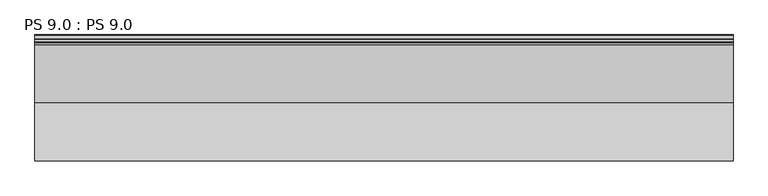
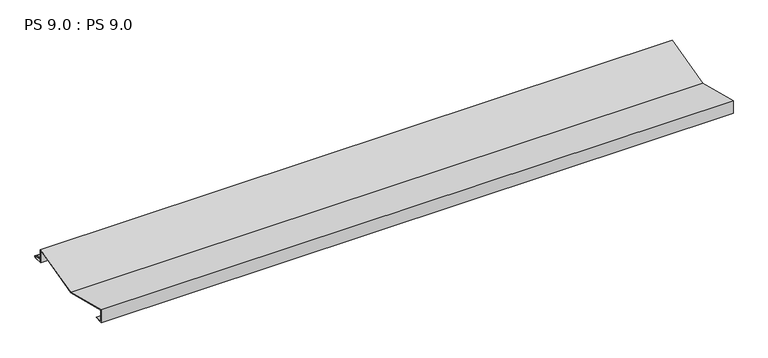
"""IFC4 building model written with IfcOpenShell, lengths in millimetres: proxy geometry, PS 9.0 : PS 9.0."""

from ifc_helpers import new_model, si_unit, point, frame, frame_2d, origin, place, context, project, spatial, polyline, circle_curve, trimmed, segment, composite_curve, outline, extrude, source, transform, mapped, element, save


def ps_9_0_ps_9_0_420706aa(model_context):
    return source(origin(), model_context, "Body", "SweptSolid", [
        extrude(outline(composite_curve([segment(polyline([(0.0, 0.0), (0.0, 38.0), (150.0, 0.0), (299.9966446, 38.0), (299.9966446, 0.0), (325.0510156, 0.0)]), True, "CONTINUOUS"), segment(trimmed(circle_curve(frame_2d((324.3094696, 1.9153551)), 2.0538928), [point((325.0510156, 0.0))], [point((325.1748462, 3.778041))], True, "CARTESIAN"), True, "CONTINUOUS"), segment(polyline([(325.1748462, 3.778041), (308.7874714, 6.923107)]), True, "CONTINUOUS"), segment(trimmed(circle_curve(frame_2d((309.4078886, 8.6005442)), 1.7884947), [point((308.7874714, 6.923107))], [point((308.9525789, 10.3301125))], False, "CARTESIAN"), True, "CONTINUOUS"), segment(polyline([(308.9525789, 10.3301125), (316.459338, 11.6715995), (316.635255, 10.6871945), (309.1762081, 9.3542338)]), True, "CONTINUOUS"), segment(trimmed(circle_curve(frame_2d((309.4078886, 8.6005442)), 0.7884947), [point((309.1762081, 9.3542338))], [point((309.0735117, 7.8864603))], True, "CARTESIAN"), True, "CONTINUOUS"), segment(polyline([(309.0735117, 7.8864603), (325.4722719, 4.7392091)]), True, "CONTINUOUS"), segment(trimmed(circle_curve(frame_2d((324.3094696, 1.9153551)), 3.0538928), [point((325.4722719, 4.7392091))], [point((325.2188462, -1.0))], False, "CARTESIAN"), True, "CONTINUOUS"), segment(polyline([(325.2188462, -1.0), (298.9966446, -1.0), (298.9966446, 36.7150697), (150.0000027, -1.0315906), (1.0, 36.7150767), (1.0, 1.0), (25.0, 1.0), (25.0, 0.0), (0.0, 0.0)]), True, "CONTINUOUS")], self_intersect=False)), frame((0.0, 0.0, 0.0), z_axis=(1.0, 0.0, 0.0), x_axis=(0.0, 1.0, 0.0)), (0.0, 0.0, 1.0), 1805.6641938),
    ])


if __name__ == "__main__":
    model = new_model("IFC4")
    model_context = context("Model", 3, world=origin())
    ifc_project = project(units=[si_unit("LENGTHUNIT", "METRE", prefix="MILLI")], contexts=[model_context])
    site = spatial("IfcSite", under=ifc_project)
    building = spatial("IfcBuilding", under=site)
    placement = place(None, origin())
    ps_9_0_ps_9_0_shape = ps_9_0_ps_9_0_420706aa(model_context)
    element("IfcBuildingElementProxy", 1, Name="PS 9.0 : PS 9.0", ObjectType="PS 9.0 : PS 9.0", at=placement, inside=building, context=model_context, shape_type="MappedRepresentation", body=[
        mapped(ps_9_0_ps_9_0_shape, transform((0.0, 0.0, 0.0), x_axis=(1.0, 0.0, 0.0), y_axis=(0.0, 1.0, 0.0), z_axis=(0.0, 0.0, 1.0))),
    ])
    save(model, "model.ifc")
